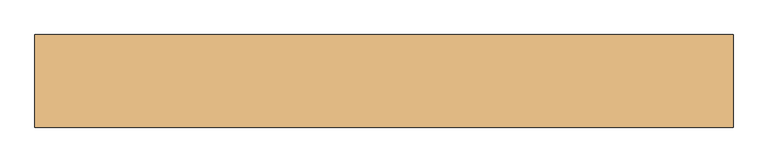
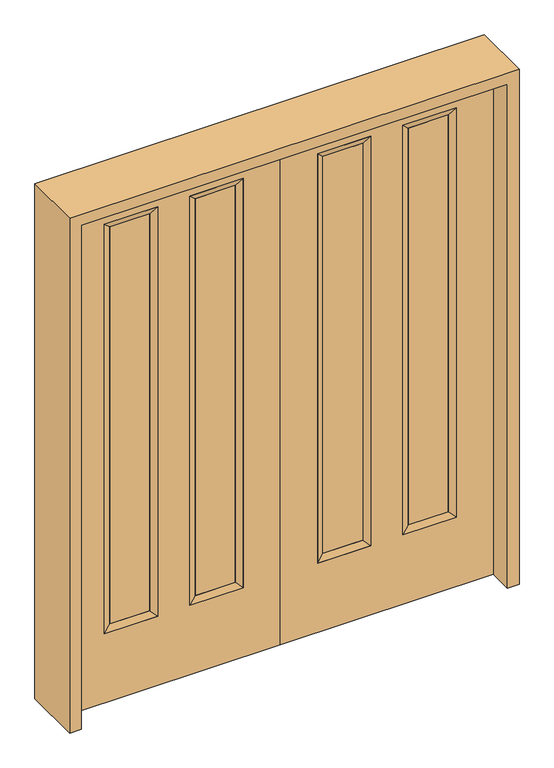
"""IFC4 building model written with IfcOpenShell, lengths in millimetres: door geometry."""

from ifc_helpers import new_model, si_unit, frame, origin, place, context, project, spatial, polyline, outline, extrude, faceted_brep, source, transform, mapped, element, save


def door_605c357a(model_context):
    return source(origin(), model_context, "Body", "SolidModel", [
        extrude(outline(polyline([(493.014, -12.7039749), (493.014, 14.2875), (645.414, 14.2875), (645.414, -12.7039749), (493.014, -12.7039749)])), frame((0.0, 0.0, 304.8), z_axis=(0.0, 0.0, 1.0), x_axis=(1.0, 0.0, 0.0)), (0.0, 0.0, 1.0), 1600.2),
        extrude(outline(polyline([(167.386, -12.7039749), (167.386, 14.2875), (319.786, 14.2875), (319.786, -12.7039749), (167.386, -12.7039749)])), frame((0.0, 0.0, 304.8), z_axis=(0.0, 0.0, 1.0), x_axis=(1.0, 0.0, 0.0)), (0.0, 0.0, 1.0), 1600.2),
        faceted_brep([(141.986, 22.225, 1930.4), (345.186, 22.225, 1930.4), (319.786, 14.2875, 1905.0), (167.386, 14.2875, 1905.0), (319.786, -12.7039749, 1905.0), (167.386, -12.7039749, 1905.0), (345.186, -22.225, 1930.4), (141.986, -22.225, 1930.4), (345.186, 22.225, 279.4), (319.786, 14.2875, 304.8), (319.786, -12.7039749, 304.8), (345.186, -22.225, 279.4), (141.986, 22.225, 279.4), (167.386, 14.2875, 304.8), (167.386, -12.7039749, 304.8), (141.986, -22.225, 279.4)], [[[0, 1, 2, 3]], [[3, 2, 4, 5]], [[5, 4, 6, 7]], [[7, 6, 1, 0]], [[1, 8, 9, 2]], [[2, 9, 10, 4]], [[4, 10, 11, 6]], [[6, 11, 8, 1]], [[8, 12, 13, 9]], [[9, 13, 14, 10]], [[10, 14, 15, 11]], [[11, 15, 12, 8]], [[12, 0, 3, 13]], [[13, 3, 5, 14]], [[14, 5, 7, 15]], [[15, 7, 0, 12]]]),
        faceted_brep([(645.414, 14.2875, 1905.0), (493.014, 14.2875, 1905.0), (467.614, 22.225, 1930.4), (670.814, 22.225, 1930.4), (645.414, -12.7039749, 1905.0), (493.014, -12.7039749, 1905.0), (670.814, -22.225, 1930.4), (467.614, -22.225, 1930.4), (493.014, 14.2875, 304.8), (467.614, 22.225, 279.4), (493.014, -12.7039749, 304.8), (467.614, -22.225, 279.4), (645.414, 14.2875, 304.8), (670.814, 22.225, 279.4), (645.414, -12.7039749, 304.8), (670.814, -22.225, 279.4)], [[[0, 1, 2, 3]], [[4, 5, 1, 0]], [[6, 7, 5, 4]], [[3, 2, 7, 6]], [[1, 8, 9, 2]], [[5, 10, 8, 1]], [[7, 11, 10, 5]], [[2, 9, 11, 7]], [[8, 12, 13, 9]], [[10, 14, 12, 8]], [[11, 15, 14, 10]], [[9, 13, 15, 11]], [[12, 0, 3, 13]], [[14, 4, 0, 12]], [[15, 6, 4, 14]], [[13, 3, 6, 15]]]),
        extrude(outline(polyline([(0.0, 812.8), (2032.0, 812.8), (2032.0, 0.0), (0.0, 0.0), (0.0, 812.8)]), holes=[polyline([(279.4, 670.814), (279.4, 467.614), (1930.4, 467.614), (1930.4, 670.814), (279.4, 670.814)]), polyline([(279.4, 345.186), (279.4, 141.986), (1930.4, 141.986), (1930.4, 345.186), (279.4, 345.186)])]), frame((0.0, -22.225, 0.0), z_axis=(0.0, 1.0, 0.0), x_axis=(0.0, 0.0, 1.0)), (0.0, 0.0, 1.0), 44.45),
        extrude(outline(polyline([(-493.014, -12.7039749), (-645.414, -12.7039749), (-645.414, 14.2875), (-493.014, 14.2875), (-493.014, -12.7039749)])), frame((0.0, 0.0, 304.8), z_axis=(0.0, 0.0, 1.0), x_axis=(1.0, 0.0, 0.0)), (0.0, 0.0, 1.0), 1600.2),
        extrude(outline(polyline([(-167.386, -12.7039749), (-319.786, -12.7039749), (-319.786, 14.2875), (-167.386, 14.2875), (-167.386, -12.7039749)])), frame((0.0, 0.0, 304.8), z_axis=(0.0, 0.0, 1.0), x_axis=(1.0, 0.0, 0.0)), (0.0, 0.0, 1.0), 1600.2),
        faceted_brep([(-141.986, 22.225, 1930.4), (-167.386, 14.2875, 1905.0), (-319.786, 14.2875, 1905.0), (-345.186, 22.225, 1930.4), (-167.386, -12.7039749, 1905.0), (-319.786, -12.7039749, 1905.0), (-141.986, -22.225, 1930.4), (-345.186, -22.225, 1930.4), (-319.786, 14.2875, 304.8), (-345.186, 22.225, 279.4), (-319.786, -12.7039749, 304.8), (-345.186, -22.225, 279.4), (-167.386, 14.2875, 304.8), (-141.986, 22.225, 279.4), (-167.386, -12.7039749, 304.8), (-141.986, -22.225, 279.4)], [[[0, 1, 2, 3]], [[1, 4, 5, 2]], [[4, 6, 7, 5]], [[6, 0, 3, 7]], [[3, 2, 8, 9]], [[2, 5, 10, 8]], [[5, 7, 11, 10]], [[7, 3, 9, 11]], [[9, 8, 12, 13]], [[8, 10, 14, 12]], [[10, 11, 15, 14]], [[11, 9, 13, 15]], [[13, 12, 1, 0]], [[12, 14, 4, 1]], [[14, 15, 6, 4]], [[15, 13, 0, 6]]]),
        faceted_brep([(-645.414, 14.2875, 1905.0), (-670.814, 22.225, 1930.4), (-467.614, 22.225, 1930.4), (-493.014, 14.2875, 1905.0), (-645.414, -12.7039749, 1905.0), (-493.014, -12.7039749, 1905.0), (-670.814, -22.225, 1930.4), (-467.614, -22.225, 1930.4), (-467.614, 22.225, 279.4), (-493.014, 14.2875, 304.8), (-493.014, -12.7039749, 304.8), (-467.614, -22.225, 279.4), (-670.814, 22.225, 279.4), (-645.414, 14.2875, 304.8), (-645.414, -12.7039749, 304.8), (-670.814, -22.225, 279.4)], [[[0, 1, 2, 3]], [[4, 0, 3, 5]], [[6, 4, 5, 7]], [[1, 6, 7, 2]], [[3, 2, 8, 9]], [[5, 3, 9, 10]], [[7, 5, 10, 11]], [[2, 7, 11, 8]], [[9, 8, 12, 13]], [[10, 9, 13, 14]], [[11, 10, 14, 15]], [[8, 11, 15, 12]], [[13, 12, 1, 0]], [[14, 13, 0, 4]], [[15, 14, 4, 6]], [[12, 15, 6, 1]]]),
        extrude(outline(polyline([(0.0, -812.8), (0.0, 0.0), (2032.0, 0.0), (2032.0, -812.8), (0.0, -812.8)]), holes=[polyline([(279.4, -670.814), (1930.4, -670.814), (1930.4, -467.614), (279.4, -467.614), (279.4, -670.814)]), polyline([(279.4, -345.186), (1930.4, -345.186), (1930.4, -141.986), (279.4, -141.986), (279.4, -345.186)])]), frame((0.0, -22.225, 0.0), z_axis=(0.0, 1.0, 0.0), x_axis=(0.0, 0.0, 1.0)), (0.0, 0.0, 1.0), 44.45),
        extrude(outline(polyline([(0.0, -857.25), (0.0, -812.8), (2032.0, -812.8), (2032.0, 812.8), (0.0, 812.8), (0.0, 857.25), (2076.45, 857.25), (2076.45, -857.25), (0.0, -857.25)])), frame((0.0, -114.3, 0.0), z_axis=(0.0, 1.0, 0.0), x_axis=(0.0, 0.0, 1.0)), (0.0, 0.0, 1.0), 228.6),
    ])


if __name__ == "__main__":
    model = new_model("IFC4")
    model_context = context("Model", 3, world=origin())
    ifc_project = project(units=[si_unit("LENGTHUNIT", "METRE", prefix="MILLI")], contexts=[model_context])
    site = spatial("IfcSite", under=ifc_project)
    building = spatial("IfcBuilding", under=site)
    placement = place(None, origin())
    door_shape = door_605c357a(model_context)
    element("IfcDoor", 1, at=placement, inside=building, context=model_context, shape_type="MappedRepresentation", body=[
        mapped(door_shape, transform((0.0, 0.0, 0.0), x_axis=(1.0, 0.0, 0.0), y_axis=(0.0, 1.0, 0.0), z_axis=(0.0, 0.0, 1.0))),
    ])
    save(model, "model.ifc")
